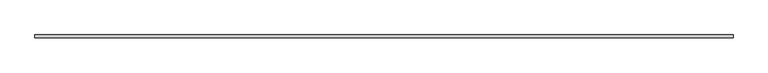
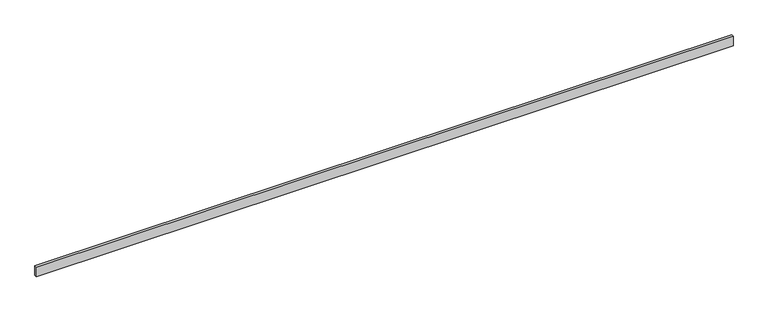
"""IFC4 building model written with IfcOpenShell, lengths in millimetres: beam geometry."""

from ifc_helpers import new_model, si_unit, frame, origin, place, context, project, spatial, polyline, outline, extrude, source, transform, mapped, element, save


def beam_04729352(model_context):
    return source(origin(), model_context, "Body", "SweptSolid", [
        extrude(outline(polyline([(4876.8, -19.05), (-4876.8, -19.05), (-4876.8, 19.05), (4876.8, 19.05), (4876.8, -19.05)])), frame((0.0, 0.0, -69.85), z_axis=(0.0, 0.0, 1.0), x_axis=(1.0, 0.0, 0.0)), (0.0, 0.0, 1.0), 139.7),
    ])


if __name__ == "__main__":
    model = new_model("IFC4")
    model_context = context("Model", 3, world=origin())
    ifc_project = project(units=[si_unit("LENGTHUNIT", "METRE", prefix="MILLI")], contexts=[model_context])
    site = spatial("IfcSite", under=ifc_project)
    building = spatial("IfcBuilding", under=site)
    placement = place(None, origin())
    beam_shape = beam_04729352(model_context)
    element("IfcBeam", 1, at=placement, inside=building, context=model_context, shape_type="MappedRepresentation", body=[
        mapped(beam_shape, transform((0.0, 0.0, 0.0), x_axis=(1.0, 0.0, 0.0), y_axis=(0.0, 1.0, 0.0), z_axis=(0.0, 0.0, 1.0))),
    ])
    save(model, "model.ifc")
